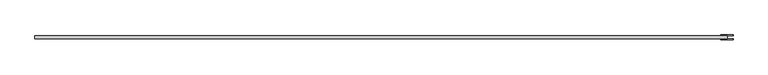
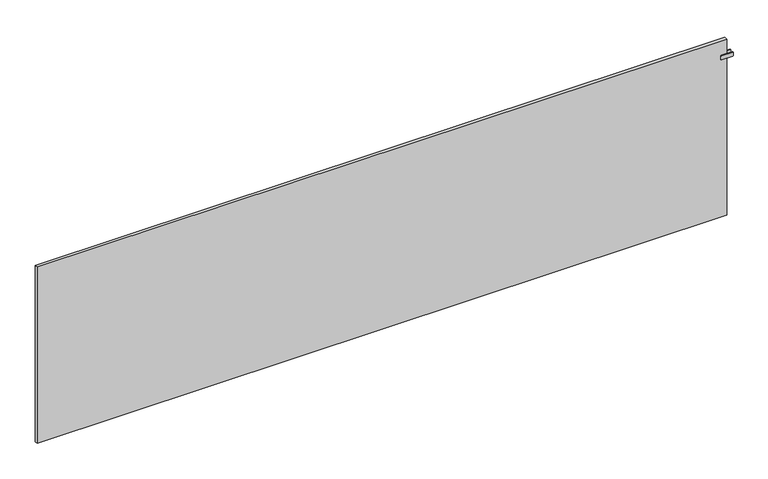
"""IFC4 building model written with IfcOpenShell, lengths in millimetres: plate geometry."""

from ifc_helpers import new_model, si_unit, point, frame, frame_2d, origin, origin_with_axes, place, context, project, spatial, polyline, circle_curve, trimmed, segment, composite_curve, outline, extrude, source, transform, mapped, element, save


def plate_e718274b(model_context):
    return source(origin(), model_context, "Body", "SweptSolid", [
        extrude(outline(polyline([(1997.5, -8.75), (1992.5, -8.75), (1992.5, 8.75), (1997.5, 8.75), (1997.5, -8.75)])), frame((0.0, 0.0, 966.5), z_axis=(0.0, 0.0, 1.0), x_axis=(1.0, 0.0, 0.0)), (0.0, 0.0, 1.0), 25.0),
        extrude(outline(composite_curve([segment(polyline([(966.5, 1963.0), (966.5, 2027.0)]), True, "CONTINUOUS"), segment(trimmed(circle_curve(frame_2d((969.5, 2027.0)), 3.0), [point((966.5, 2027.0))], [point((969.5, 2030.0))], False, "CARTESIAN"), True, "CONTINUOUS"), segment(polyline([(969.5, 2030.0), (988.5, 2030.0)]), True, "CONTINUOUS"), segment(trimmed(circle_curve(frame_2d((988.5, 2027.0)), 3.0), [point((988.5, 2030.0))], [point((991.5, 2027.0))], False, "CARTESIAN"), True, "CONTINUOUS"), segment(polyline([(991.5, 2027.0), (991.5, 1963.0)]), True, "CONTINUOUS"), segment(trimmed(circle_curve(frame_2d((988.5, 1963.0)), 3.0), [point((991.5, 1963.0))], [point((988.5, 1960.0))], False, "CARTESIAN"), True, "CONTINUOUS"), segment(polyline([(988.5, 1960.0), (969.5, 1960.0)]), True, "CONTINUOUS"), segment(trimmed(circle_curve(frame_2d((969.5, 1963.0)), 3.0), [point((969.5, 1960.0))], [point((966.5, 1963.0))], False, "CARTESIAN"), True, "CONTINUOUS")], self_intersect=False)), frame((0.0, 8.75, 0.0), z_axis=(0.0, 1.0, 0.0), x_axis=(0.0, 0.0, 1.0)), (0.0, 0.0, 1.0), 5.0),
        extrude(outline(composite_curve([segment(polyline([(966.5, 1963.0), (966.5, 2027.0)]), True, "CONTINUOUS"), segment(trimmed(circle_curve(frame_2d((969.5, 2027.0)), 3.0), [point((966.5, 2027.0))], [point((969.5, 2030.0))], False, "CARTESIAN"), True, "CONTINUOUS"), segment(polyline([(969.5, 2030.0), (988.5, 2030.0)]), True, "CONTINUOUS"), segment(trimmed(circle_curve(frame_2d((988.5, 2027.0)), 3.0), [point((988.5, 2030.0))], [point((991.5, 2027.0))], False, "CARTESIAN"), True, "CONTINUOUS"), segment(polyline([(991.5, 2027.0), (991.5, 1963.0)]), True, "CONTINUOUS"), segment(trimmed(circle_curve(frame_2d((988.5, 1963.0)), 3.0), [point((991.5, 1963.0))], [point((988.5, 1960.0))], False, "CARTESIAN"), True, "CONTINUOUS"), segment(polyline([(988.5, 1960.0), (969.5, 1960.0)]), True, "CONTINUOUS"), segment(trimmed(circle_curve(frame_2d((969.5, 1963.0)), 3.0), [point((969.5, 1960.0))], [point((966.5, 1963.0))], False, "CARTESIAN"), True, "CONTINUOUS")], self_intersect=False)), frame((0.0, -13.75, 0.0), z_axis=(0.0, 1.0, 0.0), x_axis=(0.0, 0.0, 1.0)), (0.0, 0.0, 1.0), 5.0),
        extrude(outline(polyline([(1995.0, 8.75), (1995.0, -8.75), (-1995.0, -8.75), (-1995.0, 8.75), (1995.0, 8.75)])), origin_with_axes(), (0.0, 0.0, 1.0), 1079.0),
    ])


if __name__ == "__main__":
    model = new_model("IFC4")
    model_context = context("Model", 3, world=origin())
    ifc_project = project(units=[si_unit("LENGTHUNIT", "METRE", prefix="MILLI")], contexts=[model_context])
    site = spatial("IfcSite", under=ifc_project)
    building = spatial("IfcBuilding", under=site)
    placement = place(None, origin())
    plate_shape = plate_e718274b(model_context)
    element("IfcPlate", 1, at=placement, inside=building, context=model_context, shape_type="MappedRepresentation", body=[
        mapped(plate_shape, transform((0.0, 0.0, 0.0), x_axis=(1.0, 0.0, 0.0), y_axis=(0.0, 1.0, 0.0), z_axis=(0.0, 0.0, 1.0))),
    ])
    save(model, "model.ifc")
